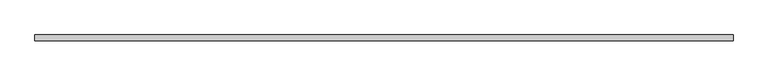
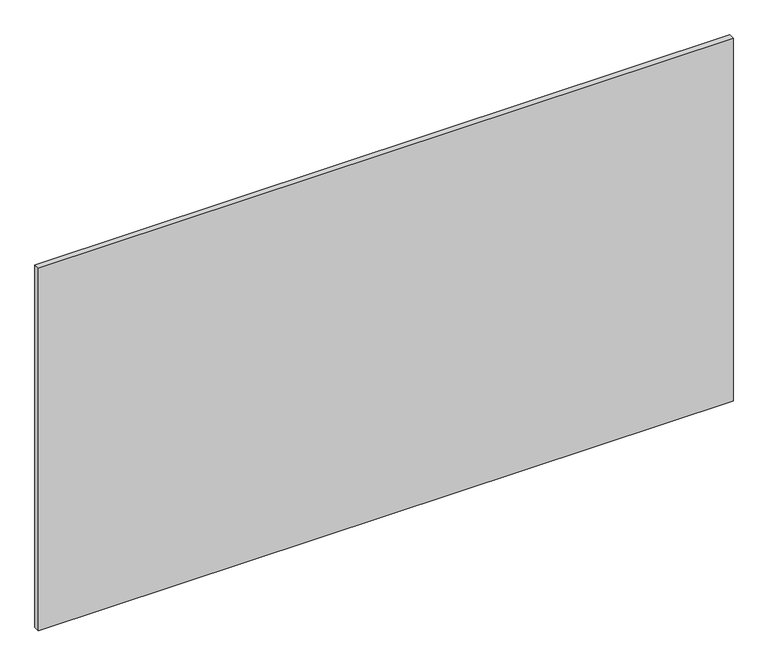
"""IFC4 building model written with IfcOpenShell, lengths in millimetres: plate geometry."""

from ifc_helpers import new_model, si_unit, origin, origin_with_axes, place, context, project, spatial, polyline, outline, extrude, source, transform, mapped, element, save


def plate_ededded3(model_context):
    return source(origin(), model_context, "Body", "SweptSolid", [
        extrude(outline(polyline([(627.75, 5.2), (627.75, -5.2), (-627.75, -5.2), (-627.75, 5.2), (627.75, 5.2)])), origin_with_axes(), (0.0, 0.0, 1.0), 693.2),
    ])


if __name__ == "__main__":
    model = new_model("IFC4")
    model_context = context("Model", 3, world=origin())
    ifc_project = project(units=[si_unit("LENGTHUNIT", "METRE", prefix="MILLI")], contexts=[model_context])
    site = spatial("IfcSite", under=ifc_project)
    building = spatial("IfcBuilding", under=site)
    placement = place(None, origin())
    plate_shape = plate_ededded3(model_context)
    element("IfcPlate", 1, at=placement, inside=building, context=model_context, shape_type="MappedRepresentation", body=[
        mapped(plate_shape, transform((0.0, 0.0, 0.0), x_axis=(1.0, 0.0, 0.0), y_axis=(0.0, 1.0, 0.0), z_axis=(0.0, 0.0, 1.0))),
    ])
    save(model, "model.ifc")
